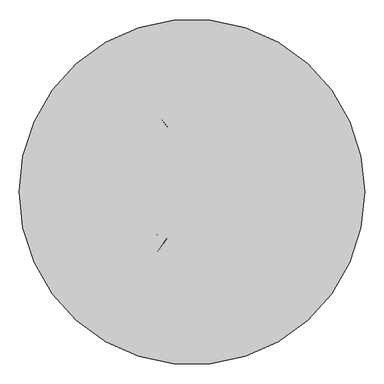
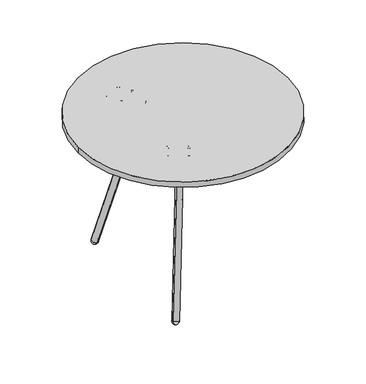
"""IFC4 building model written with IfcOpenShell, lengths in millimetres: furniture geometry."""

from ifc_helpers import new_model, si_unit, point, frame, frame_2d, origin, place, context, project, spatial, polyline, circle_curve, ellipse_curve, trimmed, segment, composite_curve, outline, extrude, source, transform, mapped, element, save
from ifc_brep_helpers import plane_surface, cylinder_surface, revolved_surface, advanced_brep


def furniture_e2190bd2(model_context):
    return source(origin(), model_context, "Body", "SolidModel", [
        extrude(outline(composite_curve([segment(trimmed(circle_curve(frame_2d((0.0, 35.3583703)), 450.0), [point((450.0, 35.3583703))], [point((-450.0, 35.3583703))], False, "CARTESIAN"), True, "CONTINUOUS"), segment(trimmed(circle_curve(frame_2d((0.0, 35.3583703)), 450.0), [point((-450.0, 35.3583703))], [point((450.0, 35.3583703))], False, "CARTESIAN"), True, "CONTINUOUS")], self_intersect=False)), frame((0.0, 0.0, 695.0), z_axis=(0.0, 0.0, 1.0), x_axis=(1.0, 0.0, 0.0)), (0.0, 0.0, 1.0), 25.0),
        advanced_brep(
        [(-180.8533333, -238.5576884, 24.6029051), (-201.3953905, -244.7128483, 29.4458823), (-191.1243619, -241.6352683, 27.0243937), (-195.5186557, -247.9106001, 0.4098754), (-206.357808, -248.5635136, 17.4350501), (-180.0803617, -240.689819, 11.2399027), (-203.4901135, -247.7042463, 16.758965), (-182.9480562, -241.5490863, 11.9159878)],
        [
            (0, 1, circle_curve(frame((-191.1243619, -241.6352683, 27.0243937), z_axis=(0.1586664581172281, 0.22658582010078232, 0.9609806559956292), x_axis=(-0.9343898390299785, -0.2799777471094271, 0.22029092092290298)), 10.9922306)),
            (1, 2),
            (2, 0),
            (1, 0, circle_curve(frame((-191.1243619, -241.6352683, 27.0243937), z_axis=(0.1586664581172281, 0.22658582010078232, 0.9609806559956292), x_axis=(-0.9343898390299785, -0.2799777471094271, 0.22029092092290298)), 10.9922306)),
            (3, 4, circle_curve(frame((-193.5011095, -244.8215763, 13.7883227), z_axis=(-0.31896799805946807, 0.9328833406448988, -0.1672964104849511), x_axis=(-0.9343898390299783, -0.2799777471094268, 0.2202909209229042)), 13.8778749)),
            (4, 5, circle_curve(frame((-193.2190848, -244.6266663, 14.3374764), z_axis=(-0.1586664581172281, -0.22658582010078232, -0.9609806559956292), x_axis=(-0.9343898390299785, -0.2799777471094271, 0.22029092092290298)), 14.0612864)),
            (5, 3, circle_curve(frame((-193.1327397, -244.7111991, 13.7014762), z_axis=(-0.31896799805947157, 0.9328833406448972, -0.16729641048495333), x_axis=(0.9343898390299777, 0.2799777471094304, -0.2202909209229023)), 13.8778749)),
            (5, 4, circle_curve(frame((-193.2190848, -244.6266663, 14.3374764), z_axis=(-0.1586664581172281, -0.22658582010078232, -0.9609806559956292), x_axis=(-0.9343898390299785, -0.2799777471094271, 0.22029092092290298)), 14.0612864)),
            (4, 6),
            (6, 7, circle_curve(frame((-193.2190848, -244.6266663, 14.3374764), z_axis=(-0.1586664581172281, -0.22658582010078232, -0.9609806559956292), x_axis=(-0.9343898390299785, -0.2799777471094271, 0.22029092092290298)), 10.9922306)),
            (7, 5),
            (7, 6, circle_curve(frame((-193.2190848, -244.6266663, 14.3374764), z_axis=(-0.1586664581172281, -0.22658582010078232, -0.9609806559956292), x_axis=(-0.9343898390299785, -0.2799777471094271, 0.22029092092290298)), 10.9922306)),
            (6, 1),
            (0, 7),
        ],
        [
            plane_surface(frame((-191.1243619, -241.6352683, 27.0243937), z_axis=(0.15866645811722793, 0.22658582010078304, 0.9609806559956293), x_axis=(-0.9343898390299785, -0.2799777471094271, 0.22029092092290298))),
            revolved_surface(trimmed(ellipse_curve(frame((-193.5011095, -244.8215763, 13.7883227), z_axis=(0.31896799805946807, -0.9328833406448988, 0.1672964104849511), x_axis=(-0.9343898390299783, -0.2799777471094268, 0.2202909209229042)), 13.8778749, 13.8778749), [point((-206.357808, -248.5635136, 17.4350501))], [point((-195.5186557, -247.9106001, 0.4098754))], True, "CARTESIAN"), (-191.1243619, -241.6352683, 27.0243937), (-0.1586664581172281, -0.22658582010078232, -0.9609806559956292)),
            revolved_surface(trimmed(ellipse_curve(frame((-193.5011095, -244.8215763, 13.7883227), z_axis=(0.31896799805946796, -0.932883340644899, 0.16729641048495042), x_axis=(-0.9343898390299783, -0.2799777471094268, 0.2202909209229042)), 13.8778749, 13.8778749), [point((-206.357808, -248.5635136, 17.4350501))], [point((-195.5186557, -247.9106001, 0.4098754))], True, "CARTESIAN"), (-191.1243619, -241.6352683, 27.0243937), (-0.1586664581172281, -0.22658582010078232, -0.9609806559956292)),
            plane_surface(frame((-193.2190848, -244.6266663, 14.3374764), z_axis=(0.15866645811722793, 0.22658582010078304, 0.9609806559956293), x_axis=(-0.9343898390299785, -0.2799777471094271, 0.22029092092290298))),
            cylinder_surface(frame((-191.1243619, -241.6352683, 27.0243937), z_axis=(-0.1586664581172281, -0.22658582010078232, -0.9609806559956292), x_axis=(-0.9343898390299785, -0.2799777471094271, 0.22029092092290298)), 10.9922306),
        ],
        [
            (0, [[1, 2, 3]]),
            (0, [[4, -3, -2]]),
            (1, [[5, 6, 7]]),
            (2, [[-7, 8, -5]]),
            (3, [[-6, 9, 10, 11]]),
            (3, [[-8, -11, 12, -9]]),
            (4, [[-10, 13, -1, 14]]),
            (4, [[-12, -14, -4, -13]]),
        ],
    ),
        extrude(outline(composite_curve([segment(trimmed(circle_curve(frame_2d((0.0, -13.9999999)), 14.0), [point((0.0, -28.0))], [point((0.0, 0.0))], False, "CARTESIAN"), True, "CONTINUOUS"), segment(trimmed(circle_curve(frame_2d((0.0, -13.9999999)), 14.0), [point((0.0, 0.0))], [point((0.0, -28.0))], False, "CARTESIAN"), True, "CONTINUOUS")], self_intersect=False), holes=[composite_curve([segment(trimmed(circle_curve(frame_2d((0.0, -13.9999999)), 11.0), [point((0.0, -24.9999999))], [point((0.0, -3.0))], True, "CARTESIAN"), True, "CONTINUOUS"), segment(trimmed(circle_curve(frame_2d((0.0, -13.9999999)), 11.0), [point((0.0, -3.0))], [point((0.0, -24.9999999))], True, "CARTESIAN"), True, "CONTINUOUS")], self_intersect=False)]), frame((-180.0364038, -240.8259189, 11.2465667), z_axis=(0.15887231788872458, 0.22664739087431662, 0.960932123939318), x_axis=(0.3180763214257349, -0.933150032964963, 0.16750662591599502)), (0.0, 0.0, 1.0), 727.2707958),
        advanced_brep(
        [(-191.2302651, 352.3487163, 27.1521718), (-201.6662561, 354.8841647, 29.4954019), (-180.794274, 349.813268, 24.8089417), (-180.0319926, 351.9891692, 11.4523823), (-206.7314795, 358.4758717, 17.4473127), (-195.7436045, 358.3983386, 0.5053328), (-182.945745, 352.6970722, 12.1066174), (-203.8177271, 357.7679688, 16.7930776)],
        [
            (0, 1),
            (1, 2, circle_curve(frame((-191.2302651, 352.3487163, 27.1521718), z_axis=(0.16296488449801105, -0.21843603976043427, 0.9621476721139682), x_axis=(-0.9493970231495797, 0.23065821572086076, 0.21317148016370688)), 10.9922306)),
            (2, 0),
            (2, 1, circle_curve(frame((-191.2302651, 352.3487163, 27.1521718), z_axis=(0.16296488449801105, -0.21843603976043427, 0.9621476721139682), x_axis=(-0.9493970231495797, 0.23065821572086076, 0.21317148016370688)), 10.9922306)),
            (3, 4, circle_curve(frame((-193.3817361, 355.2325205, 14.4498475), z_axis=(-0.16296488449801105, 0.21843603976043427, -0.9621476721139682), x_axis=(-0.9493970231495797, 0.23065821572086076, 0.21317148016370688)), 14.0612864)),
            (4, 5, circle_curve(frame((-193.6693694, 355.4126832, 13.8985708), z_axis=(-0.26849159922661747, -0.9481996013784478, -0.16979333641367114), x_axis=(-0.9493970231495795, 0.23065821572086037, 0.21317148016370815)), 13.8778749)),
            (5, 3, circle_curve(frame((-193.2950833, 355.3217495, 13.814531), z_axis=(-0.26849159922662125, -0.9481996013784462, -0.16979333641367422), x_axis=(0.9493970231495791, -0.23065821572086403, -0.2131714801637061)), 13.8778749)),
            (4, 3, circle_curve(frame((-193.3817361, 355.2325205, 14.4498475), z_axis=(-0.16296488449801105, 0.21843603976043427, -0.9621476721139682), x_axis=(-0.9493970231495797, 0.23065821572086076, 0.21317148016370688)), 14.0612864)),
            (6, 7, circle_curve(frame((-193.3817361, 355.2325205, 14.4498475), z_axis=(-0.16296488449801105, 0.21843603976043427, -0.9621476721139682), x_axis=(-0.9493970231495797, 0.23065821572086076, 0.21317148016370688)), 10.9922306)),
            (7, 4),
            (3, 6),
            (7, 6, circle_curve(frame((-193.3817361, 355.2325205, 14.4498475), z_axis=(-0.16296488449801105, 0.21843603976043427, -0.9621476721139682), x_axis=(-0.9493970231495797, 0.23065821572086076, 0.21317148016370688)), 10.9922306)),
            (1, 7),
            (6, 2),
        ],
        [
            plane_surface(frame((-191.2302651, 352.3487163, 27.1521718), z_axis=(0.16296488449801075, -0.21843603976043516, 0.962147672113968), x_axis=(-0.9493970231495795, 0.2306582157208607, 0.21317148016370682))),
            revolved_surface(trimmed(ellipse_curve(frame((-193.6693694, 355.4126832, 13.8985708), z_axis=(0.26849159922661747, 0.9481996013784478, 0.16979333641367114), x_axis=(-0.9493970231495795, 0.23065821572086037, 0.21317148016370815)), 13.8778749, 13.8778749), [point((-195.7436045, 358.3983386, 0.5053328))], [point((-206.7314795, 358.4758717, 17.4473127))], True, "CARTESIAN"), (-191.2302651, 352.3487163, 27.1521718), (0.16296488449801105, -0.21843603976043427, 0.9621476721139682)),
            revolved_surface(trimmed(ellipse_curve(frame((-193.6693694, 355.4126832, 13.8985708), z_axis=(0.2684915992266173, 0.948199601378448, 0.1697933364136702), x_axis=(-0.9493970231495795, 0.23065821572086034, 0.21317148016370813)), 13.8778749, 13.8778749), [point((-195.7436045, 358.3983386, 0.5053328))], [point((-206.7314795, 358.4758717, 17.4473127))], True, "CARTESIAN"), (-191.2302651, 352.3487163, 27.1521718), (0.16296488449801105, -0.21843603976043427, 0.9621476721139682)),
            plane_surface(frame((-193.3817361, 355.2325205, 14.4498475), z_axis=(0.16296488449801075, -0.21843603976043516, 0.962147672113968), x_axis=(-0.9493970231495795, 0.2306582157208607, 0.21317148016370682))),
            cylinder_surface(frame((-191.2302651, 352.3487163, 27.1521718), z_axis=(0.16296488449801105, -0.21843603976043427, 0.9621476721139682), x_axis=(-0.9493970231495797, 0.23065821572086076, 0.21317148016370688)), 10.9922306),
        ],
        [
            (0, [[1, 2, 3]]),
            (0, [[-3, 4, -1]]),
            (1, [[5, 6, 7]]),
            (2, [[8, -7, -6]]),
            (3, [[9, 10, -5, 11]]),
            (3, [[12, -11, -8, -10]]),
            (4, [[-2, 13, -9, 14]]),
            (4, [[-4, -14, -12, -13]]),
        ],
    ),
        extrude(outline(composite_curve([segment(trimmed(circle_curve(frame_2d((0.0, -14.0)), 14.0), [point((0.0, -28.0000001))], [point((0.0, 0.0))], False, "CARTESIAN"), True, "CONTINUOUS"), segment(trimmed(circle_curve(frame_2d((0.0, -14.0)), 14.0), [point((0.0, 0.0))], [point((0.0, -28.0000001))], False, "CARTESIAN"), True, "CONTINUOUS")], self_intersect=False), holes=[composite_curve([segment(trimmed(circle_curve(frame_2d((0.0, -14.0)), 11.0), [point((0.0, -25.0))], [point((0.0, -3.0))], True, "CARTESIAN"), True, "CONTINUOUS"), segment(trimmed(circle_curve(frame_2d((0.0, -14.0)), 11.0), [point((0.0, -3.0))], [point((0.0, -25.0))], True, "CARTESIAN"), True, "CONTINUOUS")], self_intersect=False)]), frame((-179.8928187, 352.2958733, 11.4952545), z_axis=(0.16317404468656588, -0.2184867448728597, 0.9621007085827806), x_axis=(-0.23262738843441091, -0.956195666125868, -0.17769171683647247)), (0.0, 0.0, 1.0), 718.6597541),
        advanced_brep(
        [(-112.5415012, -207.3364042, 708.5063289), (-112.5415012, -201.3501121, 708.5063289), (-112.5415012, -200.3491436, 707.5053604), (-112.5415012, -208.3373727, 707.5053604), (-112.5415012, -204.3432582, 708.5063289), (-112.5415012, -209.6774646, 699.5057716), (-112.5415012, -199.0090517, 699.5057716), (-112.5415012, -198.4348672, 698.9315871), (-112.5415012, -210.2516491, 698.9315871), (-112.5415012, -208.3373727, 700.7123957), (-112.5415012, -200.3491436, 700.7123957), (-112.5415012, -209.1745307, 698.0277774), (-112.5415012, -199.5119856, 698.0277774), (-112.5415012, -204.3432582, 697.8278374)],
        [
            (0, 1, circle_curve(frame((-112.5415012, -204.3432582, 708.5063289), z_axis=(0.0, 0.0, -1.0), x_axis=(0.0, 1.0, 0.0)), 2.9931461)),
            (1, 2),
            (2, 3, circle_curve(frame((-112.5415012, -204.3432582, 707.5053604), z_axis=(0.0, 0.0, 1.0), x_axis=(0.0, 1.0, 0.0)), 3.9941146)),
            (3, 0),
            (1, 0, circle_curve(frame((-112.5415012, -204.3432582, 708.5063289), z_axis=(0.0, 0.0, -1.0), x_axis=(0.0, 1.0, 0.0)), 2.9931461)),
            (3, 2, circle_curve(frame((-112.5415012, -204.3432582, 707.5053604), z_axis=(0.0, 0.0, 1.0), x_axis=(0.0, 1.0, 0.0)), 3.9941146)),
            (4, 1),
            (0, 4),
            (5, 6, circle_curve(frame((-112.5415012, -204.3432582, 699.5057716), z_axis=(0.0, 0.0, -1.0), x_axis=(0.0, 1.0, 0.0)), 5.3342064)),
            (6, 7),
            (7, 8, circle_curve(frame((-112.5415012, -204.3432582, 698.9315871), z_axis=(0.0, 0.0, 1.0), x_axis=(0.0, 1.0, 0.0)), 5.908391)),
            (8, 5),
            (6, 5, circle_curve(frame((-112.5415012, -204.3432582, 699.5057716), z_axis=(0.0, 0.0, -1.0), x_axis=(0.0, 1.0, 0.0)), 5.3342064)),
            (8, 7, circle_curve(frame((-112.5415012, -204.3432582, 698.9315871), z_axis=(0.0, 0.0, 1.0), x_axis=(0.0, 1.0, 0.0)), 5.908391)),
            (9, 10, circle_curve(frame((-112.5415012, -204.3432582, 700.7123957), z_axis=(0.0, 0.0, -1.0), x_axis=(0.0, 1.0, 0.0)), 3.9941146)),
            (10, 6),
            (5, 9),
            (10, 9, circle_curve(frame((-112.5415012, -204.3432582, 700.7123957), z_axis=(0.0, 0.0, -1.0), x_axis=(0.0, 1.0, 0.0)), 3.9941146)),
            (2, 10),
            (9, 3),
            (11, 12, circle_curve(frame((-112.5415012, -204.3432582, 698.0277774), z_axis=(0.0, 0.0, -1.0), x_axis=(0.0, 1.0, 0.0)), 4.8312726)),
            (12, 13, circle_curve(frame((-112.5415012, -202.6159182, 714.5595309), z_axis=(-1.0, 0.0, 0.0), x_axis=(0.0, 1.0, 0.0)), 16.8206204)),
            (13, 11, circle_curve(frame((-112.5415012, -206.0705982, 714.5595309), z_axis=(-1.0, 0.0, 0.0), x_axis=(0.0, -1.0, 0.0)), 16.8206204)),
            (12, 11, circle_curve(frame((-112.5415012, -204.3432582, 698.0277774), z_axis=(0.0, 0.0, -1.0), x_axis=(0.0, 1.0, 0.0)), 4.8312726)),
            (7, 12, circle_curve(frame((-112.5415012, -199.5595975, 699.1782538), z_axis=(-1.0, 0.0, 0.0), x_axis=(0.0, 1.0, 0.0)), 1.1514612)),
            (11, 8, circle_curve(frame((-112.5415012, -209.1269188, 699.1782538), z_axis=(-1.0, 0.0, 0.0), x_axis=(0.0, -1.0, 0.0)), 1.1514612)),
        ],
        [
            revolved_surface(polyline([(-112.5415012, -200.3491436, 707.5053604), (-112.5415012, -201.3501121, 708.5063289)]), (-112.5415012, -204.3432582, 708.228095), (0.0, 0.0, 1.0)),
            plane_surface(frame((-112.5415012, -204.3432582, 708.5063289), z_axis=(0.0, 0.0, 1.0), x_axis=(0.0, 1.0, 0.0))),
            revolved_surface(polyline([(-112.5415012, -198.4348672, 698.9315871), (-112.5415012, -199.0090517, 699.5057716)]), (-112.5415012, -204.3432582, 708.228095), (0.0, 0.0, 1.0)),
            revolved_surface(polyline([(-112.5415012, -199.0090517, 699.5057716), (-112.5415012, -200.3491436, 700.7123957)]), (-112.5415012, -204.3432582, 708.228095), (0.0, 0.0, 1.0)),
            cylinder_surface(frame((-112.5415012, -204.3432582, 708.228095), z_axis=(0.0, 0.0, 1.0), x_axis=(0.0, 1.0, 0.0)), 3.9941146),
            revolved_surface(trimmed(ellipse_curve(frame((-112.5415012, -202.6159182, 714.5595309), z_axis=(1.0, 0.0, 0.0), x_axis=(0.0, 1.0, 0.0)), 16.8206204, 16.8206204), [point((-112.5415012, -204.3432582, 697.8278374))], [point((-112.5415012, -199.5119856, 698.0277774))], True, "CARTESIAN"), (-112.5415012, -204.3432582, 708.228095), (0.0, 0.0, 1.0)),
            revolved_surface(trimmed(ellipse_curve(frame((-112.5415012, -199.5595975, 699.1782538), z_axis=(1.0, 0.0, 0.0), x_axis=(0.0, 1.0, 0.0)), 1.1514612, 1.1514612), [point((-112.5415012, -199.5119856, 698.0277774))], [point((-112.5415012, -198.4348672, 698.9315871))], True, "CARTESIAN"), (-112.5415012, -204.3432582, 708.228095), (0.0, 0.0, 1.0)),
        ],
        [
            (0, [[1, 2, 3, 4]]),
            (0, [[5, -4, 6, -2]]),
            (1, [[7, -1, 8]]),
            (1, [[-8, -5, -7]]),
            (2, [[9, 10, 11, 12]]),
            (2, [[13, -12, 14, -10]]),
            (3, [[15, 16, -9, 17]]),
            (3, [[18, -17, -13, -16]]),
            (4, [[-3, 19, -15, 20]]),
            (4, [[-6, -20, -18, -19]]),
            (5, [[21, 22, 23]]),
            (5, [[24, -23, -22]]),
            (6, [[-11, 25, -21, 26]]),
            (6, [[-14, -26, -24, -25]]),
        ],
    ),
        advanced_brep(
        [(-181.8063282, -167.3364042, 708.5063289), (-181.8063282, -161.3501121, 708.5063289), (-181.8063282, -160.3491436, 707.5053604), (-181.8063282, -168.3373727, 707.5053604), (-181.8063282, -164.3432582, 708.5063289), (-181.8063282, -169.6774646, 699.5057716), (-181.8063282, -159.0090517, 699.5057716), (-181.8063282, -158.4348672, 698.9315871), (-181.8063282, -170.2516491, 698.9315871), (-181.8063282, -168.3373727, 700.7123957), (-181.8063282, -160.3491436, 700.7123957), (-181.8063282, -169.1745307, 698.0277774), (-181.8063282, -159.5119856, 698.0277774), (-181.8063282, -164.3432582, 697.8278374)],
        [
            (0, 1, circle_curve(frame((-181.8063282, -164.3432582, 708.5063289), z_axis=(0.0, 0.0, -1.0), x_axis=(0.0, 1.0, 0.0)), 2.9931461)),
            (1, 2),
            (2, 3, circle_curve(frame((-181.8063282, -164.3432582, 707.5053604), z_axis=(0.0, 0.0, 1.0), x_axis=(0.0, 1.0, 0.0)), 3.9941146)),
            (3, 0),
            (1, 0, circle_curve(frame((-181.8063282, -164.3432582, 708.5063289), z_axis=(0.0, 0.0, -1.0), x_axis=(0.0, 1.0, 0.0)), 2.9931461)),
            (3, 2, circle_curve(frame((-181.8063282, -164.3432582, 707.5053604), z_axis=(0.0, 0.0, 1.0), x_axis=(0.0, 1.0, 0.0)), 3.9941146)),
            (4, 1),
            (0, 4),
            (5, 6, circle_curve(frame((-181.8063282, -164.3432582, 699.5057716), z_axis=(0.0, 0.0, -1.0), x_axis=(0.0, 1.0, 0.0)), 5.3342064)),
            (6, 7),
            (7, 8, circle_curve(frame((-181.8063282, -164.3432582, 698.9315871), z_axis=(0.0, 0.0, 1.0), x_axis=(0.0, 1.0, 0.0)), 5.908391)),
            (8, 5),
            (6, 5, circle_curve(frame((-181.8063282, -164.3432582, 699.5057716), z_axis=(0.0, 0.0, -1.0), x_axis=(0.0, 1.0, 0.0)), 5.3342064)),
            (8, 7, circle_curve(frame((-181.8063282, -164.3432582, 698.9315871), z_axis=(0.0, 0.0, 1.0), x_axis=(0.0, 1.0, 0.0)), 5.908391)),
            (9, 10, circle_curve(frame((-181.8063282, -164.3432582, 700.7123957), z_axis=(0.0, 0.0, -1.0), x_axis=(0.0, 1.0, 0.0)), 3.9941146)),
            (10, 6),
            (5, 9),
            (10, 9, circle_curve(frame((-181.8063282, -164.3432582, 700.7123957), z_axis=(0.0, 0.0, -1.0), x_axis=(0.0, 1.0, 0.0)), 3.9941146)),
            (2, 10),
            (9, 3),
            (11, 12, circle_curve(frame((-181.8063282, -164.3432582, 698.0277774), z_axis=(0.0, 0.0, -1.0), x_axis=(0.0, 1.0, 0.0)), 4.8312726)),
            (12, 13, circle_curve(frame((-181.8063282, -162.6159182, 714.5595309), z_axis=(-1.0, 0.0, 0.0), x_axis=(0.0, 1.0, 0.0)), 16.8206204)),
            (13, 11, circle_curve(frame((-181.8063282, -166.0705982, 714.5595309), z_axis=(-1.0, 0.0, 0.0), x_axis=(0.0, -1.0, 0.0)), 16.8206204)),
            (12, 11, circle_curve(frame((-181.8063282, -164.3432582, 698.0277774), z_axis=(0.0, 0.0, -1.0), x_axis=(0.0, 1.0, 0.0)), 4.8312726)),
            (7, 12, circle_curve(frame((-181.8063282, -159.5595975, 699.1782538), z_axis=(-1.0, 0.0, 0.0), x_axis=(0.0, 1.0, 0.0)), 1.1514612)),
            (11, 8, circle_curve(frame((-181.8063282, -169.1269188, 699.1782538), z_axis=(-1.0, 0.0, 0.0), x_axis=(0.0, -1.0, 0.0)), 1.1514612)),
        ],
        [
            revolved_surface(polyline([(-181.8063282, -160.3491436, 707.5053604), (-181.8063282, -161.3501121, 708.5063289)]), (-181.8063282, -164.3432582, 708.228095), (0.0, 0.0, 1.0)),
            plane_surface(frame((-181.8063282, -164.3432582, 708.5063289), z_axis=(0.0, 0.0, 1.0), x_axis=(0.0, 1.0, 0.0))),
            revolved_surface(polyline([(-181.8063282, -158.4348672, 698.9315871), (-181.8063282, -159.0090517, 699.5057716)]), (-181.8063282, -164.3432582, 708.228095), (0.0, 0.0, 1.0)),
            revolved_surface(polyline([(-181.8063282, -159.0090517, 699.5057716), (-181.8063282, -160.3491436, 700.7123957)]), (-181.8063282, -164.3432582, 708.228095), (0.0, 0.0, 1.0)),
            cylinder_surface(frame((-181.8063282, -164.3432582, 708.228095), z_axis=(0.0, 0.0, 1.0), x_axis=(0.0, 1.0, 0.0)), 3.9941146),
            revolved_surface(trimmed(ellipse_curve(frame((-181.8063282, -162.6159182, 714.5595309), z_axis=(1.0, 0.0, 0.0), x_axis=(0.0, 1.0, 0.0)), 16.8206204, 16.8206204), [point((-181.8063282, -164.3432582, 697.8278374))], [point((-181.8063282, -159.5119856, 698.0277774))], True, "CARTESIAN"), (-181.8063282, -164.3432582, 708.228095), (0.0, 0.0, 1.0)),
            revolved_surface(trimmed(ellipse_curve(frame((-181.8063282, -159.5595975, 699.1782538), z_axis=(1.0, 0.0, 0.0), x_axis=(0.0, 1.0, 0.0)), 1.1514612, 1.1514612), [point((-181.8063282, -159.5119856, 698.0277774))], [point((-181.8063282, -158.4348672, 698.9315871))], True, "CARTESIAN"), (-181.8063282, -164.3432582, 708.228095), (0.0, 0.0, 1.0)),
        ],
        [
            (0, [[1, 2, 3, 4]]),
            (0, [[5, -4, 6, -2]]),
            (1, [[7, -1, 8]]),
            (1, [[-8, -5, -7]]),
            (2, [[9, 10, 11, 12]]),
            (2, [[13, -12, 14, -10]]),
            (3, [[15, 16, -9, 17]]),
            (3, [[18, -17, -13, -16]]),
            (4, [[-3, 19, -15, 20]]),
            (4, [[-6, -20, -18, -19]]),
            (5, [[21, 22, 23]]),
            (5, [[24, -23, -22]]),
            (6, [[-11, 25, -21, 26]]),
            (6, [[-14, -26, -24, -25]]),
        ],
    ),
        advanced_brep(
        [(-151.8164245, -115.37488, 708.5063289), (-151.8164245, -109.3885879, 708.5063289), (-151.8164245, -108.3876193, 707.5053604), (-151.8164245, -116.3758485, 707.5053604), (-151.8164245, -112.3817339, 708.5063289), (-151.8164245, -117.7159403, 699.5057716), (-151.8164245, -107.0475275, 699.5057716), (-151.8164245, -106.473343, 698.9315871), (-151.8164245, -118.2901249, 698.9315871), (-151.8164245, -116.3758485, 700.7123957), (-151.8164245, -108.3876193, 700.7123957), (-151.8164245, -117.2130065, 698.0277774), (-151.8164245, -107.5504614, 698.0277774), (-151.8164245, -112.3817339, 697.8278374)],
        [
            (0, 1, circle_curve(frame((-151.8164245, -112.3817339, 708.5063289), z_axis=(0.0, 0.0, -1.0), x_axis=(0.0, 1.0, 0.0)), 2.9931461)),
            (1, 2),
            (2, 3, circle_curve(frame((-151.8164245, -112.3817339, 707.5053604), z_axis=(0.0, 0.0, 1.0), x_axis=(0.0, 1.0, 0.0)), 3.9941146)),
            (3, 0),
            (1, 0, circle_curve(frame((-151.8164245, -112.3817339, 708.5063289), z_axis=(0.0, 0.0, -1.0), x_axis=(0.0, 1.0, 0.0)), 2.9931461)),
            (3, 2, circle_curve(frame((-151.8164245, -112.3817339, 707.5053604), z_axis=(0.0, 0.0, 1.0), x_axis=(0.0, 1.0, 0.0)), 3.9941146)),
            (4, 1),
            (0, 4),
            (5, 6, circle_curve(frame((-151.8164245, -112.3817339, 699.5057716), z_axis=(0.0, 0.0, -1.0), x_axis=(0.0, 1.0, 0.0)), 5.3342064)),
            (6, 7),
            (7, 8, circle_curve(frame((-151.8164245, -112.3817339, 698.9315871), z_axis=(0.0, 0.0, 1.0), x_axis=(0.0, 1.0, 0.0)), 5.908391)),
            (8, 5),
            (6, 5, circle_curve(frame((-151.8164245, -112.3817339, 699.5057716), z_axis=(0.0, 0.0, -1.0), x_axis=(0.0, 1.0, 0.0)), 5.3342064)),
            (8, 7, circle_curve(frame((-151.8164245, -112.3817339, 698.9315871), z_axis=(0.0, 0.0, 1.0), x_axis=(0.0, 1.0, 0.0)), 5.908391)),
            (9, 10, circle_curve(frame((-151.8164245, -112.3817339, 700.7123957), z_axis=(0.0, 0.0, -1.0), x_axis=(0.0, 1.0, 0.0)), 3.9941146)),
            (10, 6),
            (5, 9),
            (10, 9, circle_curve(frame((-151.8164245, -112.3817339, 700.7123957), z_axis=(0.0, 0.0, -1.0), x_axis=(0.0, 1.0, 0.0)), 3.9941146)),
            (2, 10),
            (9, 3),
            (11, 12, circle_curve(frame((-151.8164245, -112.3817339, 698.0277774), z_axis=(0.0, 0.0, -1.0), x_axis=(0.0, 1.0, 0.0)), 4.8312726)),
            (12, 13, circle_curve(frame((-151.8164245, -110.6543939, 714.5595309), z_axis=(-1.0, 0.0, 0.0), x_axis=(0.0, 1.0, 0.0)), 16.8206204)),
            (13, 11, circle_curve(frame((-151.8164245, -114.1090739, 714.5595309), z_axis=(-1.0, 0.0, 0.0), x_axis=(0.0, -1.0, 0.0)), 16.8206204)),
            (12, 11, circle_curve(frame((-151.8164245, -112.3817339, 698.0277774), z_axis=(0.0, 0.0, -1.0), x_axis=(0.0, 1.0, 0.0)), 4.8312726)),
            (7, 12, circle_curve(frame((-151.8164245, -107.5980733, 699.1782538), z_axis=(-1.0, 0.0, 0.0), x_axis=(0.0, 1.0, 0.0)), 1.1514612)),
            (11, 8, circle_curve(frame((-151.8164245, -117.1653945, 699.1782538), z_axis=(-1.0, 0.0, 0.0), x_axis=(0.0, -1.0, 0.0)), 1.1514612)),
        ],
        [
            revolved_surface(polyline([(-151.8164245, -108.3876193, 707.5053604), (-151.8164245, -109.3885879, 708.5063289)]), (-151.8164245, -112.3817339, 708.228095), (0.0, 0.0, 1.0)),
            plane_surface(frame((-151.8164245, -112.3817339, 708.5063289), z_axis=(0.0, 0.0, 1.0), x_axis=(0.0, 1.0, 0.0))),
            revolved_surface(polyline([(-151.8164245, -106.473343, 698.9315871), (-151.8164245, -107.0475275, 699.5057716)]), (-151.8164245, -112.3817339, 708.228095), (0.0, 0.0, 1.0)),
            revolved_surface(polyline([(-151.8164245, -107.0475275, 699.5057716), (-151.8164245, -108.3876193, 700.7123957)]), (-151.8164245, -112.3817339, 708.228095), (0.0, 0.0, 1.0)),
            cylinder_surface(frame((-151.8164245, -112.3817339, 708.228095), z_axis=(0.0, 0.0, 1.0), x_axis=(0.0, 1.0, 0.0)), 3.9941146),
            revolved_surface(trimmed(ellipse_curve(frame((-151.8164245, -110.6543939, 714.5595309), z_axis=(1.0, 0.0, 0.0), x_axis=(0.0, 1.0, 0.0)), 16.8206204, 16.8206204), [point((-151.8164245, -112.3817339, 697.8278374))], [point((-151.8164245, -107.5504614, 698.0277774))], True, "CARTESIAN"), (-151.8164245, -112.3817339, 708.228095), (0.0, 0.0, 1.0)),
            revolved_surface(trimmed(ellipse_curve(frame((-151.8164245, -107.5980733, 699.1782538), z_axis=(1.0, 0.0, 0.0), x_axis=(0.0, 1.0, 0.0)), 1.1514612, 1.1514612), [point((-151.8164245, -107.5504614, 698.0277774))], [point((-151.8164245, -106.473343, 698.9315871))], True, "CARTESIAN"), (-151.8164245, -112.3817339, 708.228095), (0.0, 0.0, 1.0)),
        ],
        [
            (0, [[1, 2, 3, 4]]),
            (0, [[5, -4, 6, -2]]),
            (1, [[7, -1, 8]]),
            (1, [[-8, -5, -7]]),
            (2, [[9, 10, 11, 12]]),
            (2, [[13, -12, 14, -10]]),
            (3, [[15, 16, -9, 17]]),
            (3, [[18, -17, -13, -16]]),
            (4, [[-3, 19, -15, 20]]),
            (4, [[-6, -20, -18, -19]]),
            (5, [[21, 22, 23]]),
            (5, [[24, -23, -22]]),
            (6, [[-11, 25, -21, 26]]),
            (6, [[-14, -26, -24, -25]]),
        ],
    ),
        advanced_brep(
        [(-82.5675891, -155.37488, 708.5063289), (-82.5675891, -149.3885879, 708.5063289), (-82.5675891, -148.3876193, 707.5053604), (-82.5675891, -156.3758485, 707.5053604), (-82.5675891, -152.3817339, 708.5063289), (-82.5675891, -157.7159403, 699.5057716), (-82.5675891, -147.0475275, 699.5057716), (-82.5675891, -146.473343, 698.9315871), (-82.5675891, -158.2901249, 698.9315871), (-82.5675891, -156.3758485, 700.7123957), (-82.5675891, -148.3876193, 700.7123957), (-82.5675891, -157.2130065, 698.0277774), (-82.5675891, -147.5504614, 698.0277774), (-82.5675891, -152.3817339, 697.8278374)],
        [
            (0, 1, circle_curve(frame((-82.5675891, -152.3817339, 708.5063289), z_axis=(0.0, 0.0, -1.0), x_axis=(0.0, 1.0, 0.0)), 2.9931461)),
            (1, 2),
            (2, 3, circle_curve(frame((-82.5675891, -152.3817339, 707.5053604), z_axis=(0.0, 0.0, 1.0), x_axis=(0.0, 1.0, 0.0)), 3.9941146)),
            (3, 0),
            (1, 0, circle_curve(frame((-82.5675891, -152.3817339, 708.5063289), z_axis=(0.0, 0.0, -1.0), x_axis=(0.0, 1.0, 0.0)), 2.9931461)),
            (3, 2, circle_curve(frame((-82.5675891, -152.3817339, 707.5053604), z_axis=(0.0, 0.0, 1.0), x_axis=(0.0, 1.0, 0.0)), 3.9941146)),
            (4, 1),
            (0, 4),
            (5, 6, circle_curve(frame((-82.5675891, -152.3817339, 699.5057716), z_axis=(0.0, 0.0, -1.0), x_axis=(0.0, 1.0, 0.0)), 5.3342064)),
            (6, 7),
            (7, 8, circle_curve(frame((-82.5675891, -152.3817339, 698.9315871), z_axis=(0.0, 0.0, 1.0), x_axis=(0.0, 1.0, 0.0)), 5.908391)),
            (8, 5),
            (6, 5, circle_curve(frame((-82.5675891, -152.3817339, 699.5057716), z_axis=(0.0, 0.0, -1.0), x_axis=(0.0, 1.0, 0.0)), 5.3342064)),
            (8, 7, circle_curve(frame((-82.5675891, -152.3817339, 698.9315871), z_axis=(0.0, 0.0, 1.0), x_axis=(0.0, 1.0, 0.0)), 5.908391)),
            (9, 10, circle_curve(frame((-82.5675891, -152.3817339, 700.7123957), z_axis=(0.0, 0.0, -1.0), x_axis=(0.0, 1.0, 0.0)), 3.9941146)),
            (10, 6),
            (5, 9),
            (10, 9, circle_curve(frame((-82.5675891, -152.3817339, 700.7123957), z_axis=(0.0, 0.0, -1.0), x_axis=(0.0, 1.0, 0.0)), 3.9941146)),
            (2, 10),
            (9, 3),
            (11, 12, circle_curve(frame((-82.5675891, -152.3817339, 698.0277774), z_axis=(0.0, 0.0, -1.0), x_axis=(0.0, 1.0, 0.0)), 4.8312726)),
            (12, 13, circle_curve(frame((-82.5675891, -150.6543939, 714.5595309), z_axis=(-1.0, 0.0, 0.0), x_axis=(0.0, 1.0, 0.0)), 16.8206204)),
            (13, 11, circle_curve(frame((-82.5675891, -154.1090739, 714.5595309), z_axis=(-1.0, 0.0, 0.0), x_axis=(0.0, -1.0, 0.0)), 16.8206204)),
            (12, 11, circle_curve(frame((-82.5675891, -152.3817339, 698.0277774), z_axis=(0.0, 0.0, -1.0), x_axis=(0.0, 1.0, 0.0)), 4.8312726)),
            (7, 12, circle_curve(frame((-82.5675891, -147.5980733, 699.1782538), z_axis=(-1.0, 0.0, 0.0), x_axis=(0.0, 1.0, 0.0)), 1.1514612)),
            (11, 8, circle_curve(frame((-82.5675891, -157.1653945, 699.1782538), z_axis=(-1.0, 0.0, 0.0), x_axis=(0.0, -1.0, 0.0)), 1.1514612)),
        ],
        [
            revolved_surface(polyline([(-82.5675891, -148.3876193, 707.5053604), (-82.5675891, -149.3885879, 708.5063289)]), (-82.5675891, -152.3817339, 708.228095), (0.0, 0.0, 1.0)),
            plane_surface(frame((-82.5675891, -152.3817339, 708.5063289), z_axis=(0.0, 0.0, 1.0), x_axis=(0.0, 1.0, 0.0))),
            revolved_surface(polyline([(-82.5675891, -146.473343, 698.9315871), (-82.5675891, -147.0475275, 699.5057716)]), (-82.5675891, -152.3817339, 708.228095), (0.0, 0.0, 1.0)),
            revolved_surface(polyline([(-82.5675891, -147.0475275, 699.5057716), (-82.5675891, -148.3876193, 700.7123957)]), (-82.5675891, -152.3817339, 708.228095), (0.0, 0.0, 1.0)),
            cylinder_surface(frame((-82.5675891, -152.3817339, 708.228095), z_axis=(0.0, 0.0, 1.0), x_axis=(0.0, 1.0, 0.0)), 3.9941146),
            revolved_surface(trimmed(ellipse_curve(frame((-82.5675891, -150.6543939, 714.5595309), z_axis=(1.0, 0.0, 0.0), x_axis=(0.0, 1.0, 0.0)), 16.8206204, 16.8206204), [point((-82.5675891, -152.3817339, 697.8278374))], [point((-82.5675891, -147.5504614, 698.0277774))], True, "CARTESIAN"), (-82.5675891, -152.3817339, 708.228095), (0.0, 0.0, 1.0)),
            revolved_surface(trimmed(ellipse_curve(frame((-82.5675891, -147.5980733, 699.1782538), z_axis=(1.0, 0.0, 0.0), x_axis=(0.0, 1.0, 0.0)), 1.1514612, 1.1514612), [point((-82.5675891, -147.5504614, 698.0277774))], [point((-82.5675891, -146.473343, 698.9315871))], True, "CARTESIAN"), (-82.5675891, -152.3817339, 708.228095), (0.0, 0.0, 1.0)),
        ],
        [
            (0, [[1, 2, 3, 4]]),
            (0, [[5, -4, 6, -2]]),
            (1, [[7, -1, 8]]),
            (1, [[-8, -5, -7]]),
            (2, [[9, 10, 11, 12]]),
            (2, [[13, -12, 14, -10]]),
            (3, [[15, 16, -9, 17]]),
            (3, [[18, -17, -13, -16]]),
            (4, [[-3, 19, -15, 20]]),
            (4, [[-6, -20, -18, -19]]),
            (5, [[21, 22, 23]]),
            (5, [[24, -23, -22]]),
            (6, [[-11, 25, -21, 26]]),
            (6, [[-14, -26, -24, -25]]),
        ],
    ),
        advanced_brep(
        [(-112.1222387, 317.7491246, 708.5063289), (-112.1222387, 323.7354167, 708.5063289), (-112.1222387, 324.7363853, 707.5053604), (-112.1222387, 316.7481561, 707.5053604), (-112.1222387, 320.7422707, 708.5063289), (-112.1222387, 315.4080643, 699.5057716), (-112.1222387, 326.0764771, 699.5057716), (-112.1222387, 326.6506617, 698.9315871), (-112.1222387, 314.8338797, 698.9315871), (-112.1222387, 316.7481561, 700.7123957), (-112.1222387, 324.7363853, 700.7123957), (-112.1222387, 315.9109981, 698.0277774), (-112.1222387, 325.5735432, 698.0277774), (-112.1222387, 320.7422707, 697.8278374)],
        [
            (0, 1, circle_curve(frame((-112.1222387, 320.7422707, 708.5063289), z_axis=(0.0, 0.0, -1.0), x_axis=(0.0, 1.0, 0.0)), 2.9931461)),
            (1, 2),
            (2, 3, circle_curve(frame((-112.1222387, 320.7422707, 707.5053604), z_axis=(0.0, 0.0, 1.0), x_axis=(0.0, 1.0, 0.0)), 3.9941146)),
            (3, 0),
            (1, 0, circle_curve(frame((-112.1222387, 320.7422707, 708.5063289), z_axis=(0.0, 0.0, -1.0), x_axis=(0.0, 1.0, 0.0)), 2.9931461)),
            (3, 2, circle_curve(frame((-112.1222387, 320.7422707, 707.5053604), z_axis=(0.0, 0.0, 1.0), x_axis=(0.0, 1.0, 0.0)), 3.9941146)),
            (4, 1),
            (0, 4),
            (5, 6, circle_curve(frame((-112.1222387, 320.7422707, 699.5057716), z_axis=(0.0, 0.0, -1.0), x_axis=(0.0, 1.0, 0.0)), 5.3342064)),
            (6, 7),
            (7, 8, circle_curve(frame((-112.1222387, 320.7422707, 698.9315871), z_axis=(0.0, 0.0, 1.0), x_axis=(0.0, 1.0, 0.0)), 5.908391)),
            (8, 5),
            (6, 5, circle_curve(frame((-112.1222387, 320.7422707, 699.5057716), z_axis=(0.0, 0.0, -1.0), x_axis=(0.0, 1.0, 0.0)), 5.3342064)),
            (8, 7, circle_curve(frame((-112.1222387, 320.7422707, 698.9315871), z_axis=(0.0, 0.0, 1.0), x_axis=(0.0, 1.0, 0.0)), 5.908391)),
            (9, 10, circle_curve(frame((-112.1222387, 320.7422707, 700.7123957), z_axis=(0.0, 0.0, -1.0), x_axis=(0.0, 1.0, 0.0)), 3.9941146)),
            (10, 6),
            (5, 9),
            (10, 9, circle_curve(frame((-112.1222387, 320.7422707, 700.7123957), z_axis=(0.0, 0.0, -1.0), x_axis=(0.0, 1.0, 0.0)), 3.9941146)),
            (2, 10),
            (9, 3),
            (11, 12, circle_curve(frame((-112.1222387, 320.7422707, 698.0277774), z_axis=(0.0, 0.0, -1.0), x_axis=(0.0, 1.0, 0.0)), 4.8312726)),
            (12, 13, circle_curve(frame((-112.1222387, 322.4696107, 714.5595309), z_axis=(-1.0, 0.0, 0.0), x_axis=(0.0, 1.0, 0.0)), 16.8206204)),
            (13, 11, circle_curve(frame((-112.1222387, 319.0149307, 714.5595309), z_axis=(-1.0, 0.0, 0.0), x_axis=(0.0, -1.0, 0.0)), 16.8206204)),
            (12, 11, circle_curve(frame((-112.1222387, 320.7422707, 698.0277774), z_axis=(0.0, 0.0, -1.0), x_axis=(0.0, 1.0, 0.0)), 4.8312726)),
            (7, 12, circle_curve(frame((-112.1222387, 325.5259313, 699.1782538), z_axis=(-1.0, 0.0, 0.0), x_axis=(0.0, 1.0, 0.0)), 1.1514612)),
            (11, 8, circle_curve(frame((-112.1222387, 315.9586101, 699.1782538), z_axis=(-1.0, 0.0, 0.0), x_axis=(0.0, -1.0, 0.0)), 1.1514612)),
        ],
        [
            revolved_surface(polyline([(-112.1222387, 324.7363853, 707.5053604), (-112.1222387, 323.7354167, 708.5063289)]), (-112.1222387, 320.7422707, 708.228095), (0.0, 0.0, 1.0)),
            plane_surface(frame((-112.1222387, 320.7422707, 708.5063289), z_axis=(0.0, 0.0, 1.0), x_axis=(0.0, 1.0, 0.0))),
            revolved_surface(polyline([(-112.1222387, 326.6506617, 698.9315871), (-112.1222387, 326.0764771, 699.5057716)]), (-112.1222387, 320.7422707, 708.228095), (0.0, 0.0, 1.0)),
            revolved_surface(polyline([(-112.1222387, 326.0764771, 699.5057716), (-112.1222387, 324.7363853, 700.7123957)]), (-112.1222387, 320.7422707, 708.228095), (0.0, 0.0, 1.0)),
            cylinder_surface(frame((-112.1222387, 320.7422707, 708.228095), z_axis=(0.0, 0.0, 1.0), x_axis=(0.0, 1.0, 0.0)), 3.9941146),
            revolved_surface(trimmed(ellipse_curve(frame((-112.1222387, 322.4696107, 714.5595309), z_axis=(1.0, 0.0, 0.0), x_axis=(0.0, 1.0, 0.0)), 16.8206204, 16.8206204), [point((-112.1222387, 320.7422707, 697.8278374))], [point((-112.1222387, 325.5735432, 698.0277774))], True, "CARTESIAN"), (-112.1222387, 320.7422707, 708.228095), (0.0, 0.0, 1.0)),
            revolved_surface(trimmed(ellipse_curve(frame((-112.1222387, 325.5259313, 699.1782538), z_axis=(1.0, 0.0, 0.0), x_axis=(0.0, 1.0, 0.0)), 1.1514612, 1.1514612), [point((-112.1222387, 325.5735432, 698.0277774))], [point((-112.1222387, 326.6506617, 698.9315871))], True, "CARTESIAN"), (-112.1222387, 320.7422707, 708.228095), (0.0, 0.0, 1.0)),
        ],
        [
            (0, [[1, 2, 3, 4]]),
            (0, [[5, -4, 6, -2]]),
            (1, [[7, -1, 8]]),
            (1, [[-8, -5, -7]]),
            (2, [[9, 10, 11, 12]]),
            (2, [[13, -12, 14, -10]]),
            (3, [[15, 16, -9, 17]]),
            (3, [[18, -17, -13, -16]]),
            (4, [[-3, 19, -15, 20]]),
            (4, [[-6, -20, -18, -19]]),
            (5, [[21, 22, 23]]),
            (5, [[24, -23, -22]]),
            (6, [[-11, 25, -21, 26]]),
            (6, [[-14, -26, -24, -25]]),
        ],
    ),
        advanced_brep(
        [(-151.1378189, 225.7195971, 708.5063289), (-151.1378189, 231.7058893, 708.5063289), (-151.1378189, 232.7068578, 707.5053604), (-151.1378189, 224.7186286, 707.5053604), (-151.1378189, 228.7127432, 708.5063289), (-151.1378189, 223.3785368, 699.5057716), (-151.1378189, 234.0469496, 699.5057716), (-151.1378189, 234.6211342, 698.9315871), (-151.1378189, 222.8043522, 698.9315871), (-151.1378189, 224.7186286, 700.7123957), (-151.1378189, 232.7068578, 700.7123957), (-151.1378189, 223.8814707, 698.0277774), (-151.1378189, 233.5440158, 698.0277774), (-151.1378189, 228.7127432, 697.8278374)],
        [
            (0, 1, circle_curve(frame((-151.1378189, 228.7127432, 708.5063289), z_axis=(0.0, 0.0, -1.0), x_axis=(0.0, 1.0, 0.0)), 2.9931461)),
            (1, 2),
            (2, 3, circle_curve(frame((-151.1378189, 228.7127432, 707.5053604), z_axis=(0.0, 0.0, 1.0), x_axis=(0.0, 1.0, 0.0)), 3.9941146)),
            (3, 0),
            (1, 0, circle_curve(frame((-151.1378189, 228.7127432, 708.5063289), z_axis=(0.0, 0.0, -1.0), x_axis=(0.0, 1.0, 0.0)), 2.9931461)),
            (3, 2, circle_curve(frame((-151.1378189, 228.7127432, 707.5053604), z_axis=(0.0, 0.0, 1.0), x_axis=(0.0, 1.0, 0.0)), 3.9941146)),
            (4, 1),
            (0, 4),
            (5, 6, circle_curve(frame((-151.1378189, 228.7127432, 699.5057716), z_axis=(0.0, 0.0, -1.0), x_axis=(0.0, 1.0, 0.0)), 5.3342064)),
            (6, 7),
            (7, 8, circle_curve(frame((-151.1378189, 228.7127432, 698.9315871), z_axis=(0.0, 0.0, 1.0), x_axis=(0.0, 1.0, 0.0)), 5.908391)),
            (8, 5),
            (6, 5, circle_curve(frame((-151.1378189, 228.7127432, 699.5057716), z_axis=(0.0, 0.0, -1.0), x_axis=(0.0, 1.0, 0.0)), 5.3342064)),
            (8, 7, circle_curve(frame((-151.1378189, 228.7127432, 698.9315871), z_axis=(0.0, 0.0, 1.0), x_axis=(0.0, 1.0, 0.0)), 5.908391)),
            (9, 10, circle_curve(frame((-151.1378189, 228.7127432, 700.7123957), z_axis=(0.0, 0.0, -1.0), x_axis=(0.0, 1.0, 0.0)), 3.9941146)),
            (10, 6),
            (5, 9),
            (10, 9, circle_curve(frame((-151.1378189, 228.7127432, 700.7123957), z_axis=(0.0, 0.0, -1.0), x_axis=(0.0, 1.0, 0.0)), 3.9941146)),
            (2, 10),
            (9, 3),
            (11, 12, circle_curve(frame((-151.1378189, 228.7127432, 698.0277774), z_axis=(0.0, 0.0, -1.0), x_axis=(0.0, 1.0, 0.0)), 4.8312726)),
            (12, 13, circle_curve(frame((-151.1378189, 230.4400832, 714.5595309), z_axis=(-1.0, 0.0, 0.0), x_axis=(0.0, 1.0, 0.0)), 16.8206204)),
            (13, 11, circle_curve(frame((-151.1378189, 226.9854032, 714.5595309), z_axis=(-1.0, 0.0, 0.0), x_axis=(0.0, -1.0, 0.0)), 16.8206204)),
            (12, 11, circle_curve(frame((-151.1378189, 228.7127432, 698.0277774), z_axis=(0.0, 0.0, -1.0), x_axis=(0.0, 1.0, 0.0)), 4.8312726)),
            (7, 12, circle_curve(frame((-151.1378189, 233.4964038, 699.1782538), z_axis=(-1.0, 0.0, 0.0), x_axis=(0.0, 1.0, 0.0)), 1.1514612)),
            (11, 8, circle_curve(frame((-151.1378189, 223.9290826, 699.1782538), z_axis=(-1.0, 0.0, 0.0), x_axis=(0.0, -1.0, 0.0)), 1.1514612)),
        ],
        [
            revolved_surface(polyline([(-151.1378189, 232.7068578, 707.5053604), (-151.1378189, 231.7058893, 708.5063289)]), (-151.1378189, 228.7127432, 708.228095), (0.0, 0.0, 1.0)),
            plane_surface(frame((-151.1378189, 228.7127432, 708.5063289), z_axis=(0.0, 0.0, 1.0), x_axis=(0.0, 1.0, 0.0))),
            revolved_surface(polyline([(-151.1378189, 234.6211342, 698.9315871), (-151.1378189, 234.0469496, 699.5057716)]), (-151.1378189, 228.7127432, 708.228095), (0.0, 0.0, 1.0)),
            revolved_surface(polyline([(-151.1378189, 234.0469496, 699.5057716), (-151.1378189, 232.7068578, 700.7123957)]), (-151.1378189, 228.7127432, 708.228095), (0.0, 0.0, 1.0)),
            cylinder_surface(frame((-151.1378189, 228.7127432, 708.228095), z_axis=(0.0, 0.0, 1.0), x_axis=(0.0, 1.0, 0.0)), 3.9941146),
            revolved_surface(trimmed(ellipse_curve(frame((-151.1378189, 230.4400832, 714.5595309), z_axis=(1.0, 0.0, 0.0), x_axis=(0.0, 1.0, 0.0)), 16.8206204, 16.8206204), [point((-151.1378189, 228.7127432, 697.8278374))], [point((-151.1378189, 233.5440158, 698.0277774))], True, "CARTESIAN"), (-151.1378189, 228.7127432, 708.228095), (0.0, 0.0, 1.0)),
            revolved_surface(trimmed(ellipse_curve(frame((-151.1378189, 233.4964038, 699.1782538), z_axis=(1.0, 0.0, 0.0), x_axis=(0.0, 1.0, 0.0)), 1.1514612, 1.1514612), [point((-151.1378189, 233.5440158, 698.0277774))], [point((-151.1378189, 234.6211342, 698.9315871))], True, "CARTESIAN"), (-151.1378189, 228.7127432, 708.228095), (0.0, 0.0, 1.0)),
        ],
        [
            (0, [[1, 2, 3, 4]]),
            (0, [[5, -4, 6, -2]]),
            (1, [[7, -1, 8]]),
            (1, [[-8, -5, -7]]),
            (2, [[9, 10, 11, 12]]),
            (2, [[13, -12, 14, -10]]),
            (3, [[15, 16, -9, 17]]),
            (3, [[18, -17, -13, -16]]),
            (4, [[-3, 19, -15, 20]]),
            (4, [[-6, -20, -18, -19]]),
            (5, [[21, 22, 23]]),
            (5, [[24, -23, -22]]),
            (6, [[-11, 25, -21, 26]]),
            (6, [[-14, -26, -24, -25]]),
        ],
    ),
        advanced_brep(
        [(-181.4872957, 277.7355833, 708.5063289), (-181.4872957, 283.7218754, 708.5063289), (-181.4872957, 284.7228439, 707.5053604), (-181.4872957, 276.7346148, 707.5053604), (-181.4872957, 280.7287293, 708.5063289), (-181.4872957, 275.3945229, 699.5057716), (-181.4872957, 286.0629358, 699.5057716), (-181.4872957, 286.6371203, 698.9315871), (-181.4872957, 274.8203384, 698.9315871), (-181.4872957, 276.7346148, 700.7123957), (-181.4872957, 284.7228439, 700.7123957), (-181.4872957, 275.8974568, 698.0277774), (-181.4872957, 285.5600019, 698.0277774), (-181.4872957, 280.7287293, 697.8278374)],
        [
            (0, 1, circle_curve(frame((-181.4872957, 280.7287293, 708.5063289), z_axis=(0.0, 0.0, -1.0), x_axis=(0.0, 1.0, 0.0)), 2.9931461)),
            (1, 2),
            (2, 3, circle_curve(frame((-181.4872957, 280.7287293, 707.5053604), z_axis=(0.0, 0.0, 1.0), x_axis=(0.0, 1.0, 0.0)), 3.9941146)),
            (3, 0),
            (1, 0, circle_curve(frame((-181.4872957, 280.7287293, 708.5063289), z_axis=(0.0, 0.0, -1.0), x_axis=(0.0, 1.0, 0.0)), 2.9931461)),
            (3, 2, circle_curve(frame((-181.4872957, 280.7287293, 707.5053604), z_axis=(0.0, 0.0, 1.0), x_axis=(0.0, 1.0, 0.0)), 3.9941146)),
            (4, 1),
            (0, 4),
            (5, 6, circle_curve(frame((-181.4872957, 280.7287293, 699.5057716), z_axis=(0.0, 0.0, -1.0), x_axis=(0.0, 1.0, 0.0)), 5.3342064)),
            (6, 7),
            (7, 8, circle_curve(frame((-181.4872957, 280.7287293, 698.9315871), z_axis=(0.0, 0.0, 1.0), x_axis=(0.0, 1.0, 0.0)), 5.908391)),
            (8, 5),
            (6, 5, circle_curve(frame((-181.4872957, 280.7287293, 699.5057716), z_axis=(0.0, 0.0, -1.0), x_axis=(0.0, 1.0, 0.0)), 5.3342064)),
            (8, 7, circle_curve(frame((-181.4872957, 280.7287293, 698.9315871), z_axis=(0.0, 0.0, 1.0), x_axis=(0.0, 1.0, 0.0)), 5.908391)),
            (9, 10, circle_curve(frame((-181.4872957, 280.7287293, 700.7123957), z_axis=(0.0, 0.0, -1.0), x_axis=(0.0, 1.0, 0.0)), 3.9941146)),
            (10, 6),
            (5, 9),
            (10, 9, circle_curve(frame((-181.4872957, 280.7287293, 700.7123957), z_axis=(0.0, 0.0, -1.0), x_axis=(0.0, 1.0, 0.0)), 3.9941146)),
            (2, 10),
            (9, 3),
            (11, 12, circle_curve(frame((-181.4872957, 280.7287293, 698.0277774), z_axis=(0.0, 0.0, -1.0), x_axis=(0.0, 1.0, 0.0)), 4.8312726)),
            (12, 13, circle_curve(frame((-181.4872957, 282.4560693, 714.5595309), z_axis=(-1.0, 0.0, 0.0), x_axis=(0.0, 1.0, 0.0)), 16.8206204)),
            (13, 11, circle_curve(frame((-181.4872957, 279.0013894, 714.5595309), z_axis=(-1.0, 0.0, 0.0), x_axis=(0.0, -1.0, 0.0)), 16.8206204)),
            (12, 11, circle_curve(frame((-181.4872957, 280.7287293, 698.0277774), z_axis=(0.0, 0.0, -1.0), x_axis=(0.0, 1.0, 0.0)), 4.8312726)),
            (7, 12, circle_curve(frame((-181.4872957, 285.51239, 699.1782538), z_axis=(-1.0, 0.0, 0.0), x_axis=(0.0, 1.0, 0.0)), 1.1514612)),
            (11, 8, circle_curve(frame((-181.4872957, 275.9450687, 699.1782538), z_axis=(-1.0, 0.0, 0.0), x_axis=(0.0, -1.0, 0.0)), 1.1514612)),
        ],
        [
            revolved_surface(polyline([(-181.4872957, 284.7228439, 707.5053604), (-181.4872957, 283.7218754, 708.5063289)]), (-181.4872957, 280.7287293, 708.228095), (0.0, 0.0, 1.0)),
            plane_surface(frame((-181.4872957, 280.7287293, 708.5063289), z_axis=(0.0, 0.0, 1.0), x_axis=(0.0, 1.0, 0.0))),
            revolved_surface(polyline([(-181.4872957, 286.6371203, 698.9315871), (-181.4872957, 286.0629358, 699.5057716)]), (-181.4872957, 280.7287293, 708.228095), (0.0, 0.0, 1.0)),
            revolved_surface(polyline([(-181.4872957, 286.0629358, 699.5057716), (-181.4872957, 284.7228439, 700.7123957)]), (-181.4872957, 280.7287293, 708.228095), (0.0, 0.0, 1.0)),
            cylinder_surface(frame((-181.4872957, 280.7287293, 708.228095), z_axis=(0.0, 0.0, 1.0), x_axis=(0.0, 1.0, 0.0)), 3.9941146),
            revolved_surface(trimmed(ellipse_curve(frame((-181.4872957, 282.4560693, 714.5595309), z_axis=(1.0, 0.0, 0.0), x_axis=(0.0, 1.0, 0.0)), 16.8206204, 16.8206204), [point((-181.4872957, 280.7287293, 697.8278374))], [point((-181.4872957, 285.5600019, 698.0277774))], True, "CARTESIAN"), (-181.4872957, 280.7287293, 708.228095), (0.0, 0.0, 1.0)),
            revolved_surface(trimmed(ellipse_curve(frame((-181.4872957, 285.51239, 699.1782538), z_axis=(1.0, 0.0, 0.0), x_axis=(0.0, 1.0, 0.0)), 1.1514612, 1.1514612), [point((-181.4872957, 285.5600019, 698.0277774))], [point((-181.4872957, 286.6371203, 698.9315871))], True, "CARTESIAN"), (-181.4872957, 280.7287293, 708.228095), (0.0, 0.0, 1.0)),
        ],
        [
            (0, [[1, 2, 3, 4]]),
            (0, [[5, -4, 6, -2]]),
            (1, [[7, -1, 8]]),
            (1, [[-8, -5, -7]]),
            (2, [[9, 10, 11, 12]]),
            (2, [[13, -12, 14, -10]]),
            (3, [[15, 16, -9, 17]]),
            (3, [[18, -17, -13, -16]]),
            (4, [[-3, 19, -15, 20]]),
            (4, [[-6, -20, -18, -19]]),
            (5, [[21, 22, 23]]),
            (5, [[24, -23, -22]]),
            (6, [[-11, 25, -21, 26]]),
            (6, [[-14, -26, -24, -25]]),
        ],
    ),
        advanced_brep(
        [(-82.0319755, 265.6008836, 708.5063289), (-82.0319755, 271.5871757, 708.5063289), (-82.0319755, 272.5881442, 707.5053604), (-82.0319755, 264.5999151, 707.5053604), (-82.0319755, 268.5940297, 708.5063289), (-82.0319755, 263.2598232, 699.5057716), (-82.0319755, 273.9282361, 699.5057716), (-82.0319755, 274.5024206, 698.9315871), (-82.0319755, 262.6856387, 698.9315871), (-82.0319755, 264.5999151, 700.7123957), (-82.0319755, 272.5881442, 700.7123957), (-82.0319755, 263.7627571, 698.0277774), (-82.0319755, 273.4253022, 698.0277774), (-82.0319755, 268.5940297, 697.8278374)],
        [
            (0, 1, circle_curve(frame((-82.0319755, 268.5940297, 708.5063289), z_axis=(0.0, 0.0, -1.0), x_axis=(0.0, 1.0, 0.0)), 2.9931461)),
            (1, 2),
            (2, 3, circle_curve(frame((-82.0319755, 268.5940297, 707.5053604), z_axis=(0.0, 0.0, 1.0), x_axis=(0.0, 1.0, 0.0)), 3.9941146)),
            (3, 0),
            (1, 0, circle_curve(frame((-82.0319755, 268.5940297, 708.5063289), z_axis=(0.0, 0.0, -1.0), x_axis=(0.0, 1.0, 0.0)), 2.9931461)),
            (3, 2, circle_curve(frame((-82.0319755, 268.5940297, 707.5053604), z_axis=(0.0, 0.0, 1.0), x_axis=(0.0, 1.0, 0.0)), 3.9941146)),
            (4, 1),
            (0, 4),
            (5, 6, circle_curve(frame((-82.0319755, 268.5940297, 699.5057716), z_axis=(0.0, 0.0, -1.0), x_axis=(0.0, 1.0, 0.0)), 5.3342064)),
            (6, 7),
            (7, 8, circle_curve(frame((-82.0319755, 268.5940297, 698.9315871), z_axis=(0.0, 0.0, 1.0), x_axis=(0.0, 1.0, 0.0)), 5.908391)),
            (8, 5),
            (6, 5, circle_curve(frame((-82.0319755, 268.5940297, 699.5057716), z_axis=(0.0, 0.0, -1.0), x_axis=(0.0, 1.0, 0.0)), 5.3342064)),
            (8, 7, circle_curve(frame((-82.0319755, 268.5940297, 698.9315871), z_axis=(0.0, 0.0, 1.0), x_axis=(0.0, 1.0, 0.0)), 5.908391)),
            (9, 10, circle_curve(frame((-82.0319755, 268.5940297, 700.7123957), z_axis=(0.0, 0.0, -1.0), x_axis=(0.0, 1.0, 0.0)), 3.9941146)),
            (10, 6),
            (5, 9),
            (10, 9, circle_curve(frame((-82.0319755, 268.5940297, 700.7123957), z_axis=(0.0, 0.0, -1.0), x_axis=(0.0, 1.0, 0.0)), 3.9941146)),
            (2, 10),
            (9, 3),
            (11, 12, circle_curve(frame((-82.0319755, 268.5940297, 698.0277774), z_axis=(0.0, 0.0, -1.0), x_axis=(0.0, 1.0, 0.0)), 4.8312726)),
            (12, 13, circle_curve(frame((-82.0319755, 270.3213697, 714.5595309), z_axis=(-1.0, 0.0, 0.0), x_axis=(0.0, 1.0, 0.0)), 16.8206204)),
            (13, 11, circle_curve(frame((-82.0319755, 266.8666897, 714.5595309), z_axis=(-1.0, 0.0, 0.0), x_axis=(0.0, -1.0, 0.0)), 16.8206204)),
            (12, 11, circle_curve(frame((-82.0319755, 268.5940297, 698.0277774), z_axis=(0.0, 0.0, -1.0), x_axis=(0.0, 1.0, 0.0)), 4.8312726)),
            (7, 12, circle_curve(frame((-82.0319755, 273.3776903, 699.1782538), z_axis=(-1.0, 0.0, 0.0), x_axis=(0.0, 1.0, 0.0)), 1.1514612)),
            (11, 8, circle_curve(frame((-82.0319755, 263.810369, 699.1782538), z_axis=(-1.0, 0.0, 0.0), x_axis=(0.0, -1.0, 0.0)), 1.1514612)),
        ],
        [
            revolved_surface(polyline([(-82.0319755, 272.5881442, 707.5053604), (-82.0319755, 271.5871757, 708.5063289)]), (-82.0319755, 268.5940297, 708.228095), (0.0, 0.0, 1.0)),
            plane_surface(frame((-82.0319755, 268.5940297, 708.5063289), z_axis=(0.0, 0.0, 1.0), x_axis=(0.0, 1.0, 0.0))),
            revolved_surface(polyline([(-82.0319755, 274.5024206, 698.9315871), (-82.0319755, 273.9282361, 699.5057716)]), (-82.0319755, 268.5940297, 708.228095), (0.0, 0.0, 1.0)),
            revolved_surface(polyline([(-82.0319755, 273.9282361, 699.5057716), (-82.0319755, 272.5881442, 700.7123957)]), (-82.0319755, 268.5940297, 708.228095), (0.0, 0.0, 1.0)),
            cylinder_surface(frame((-82.0319755, 268.5940297, 708.228095), z_axis=(0.0, 0.0, 1.0), x_axis=(0.0, 1.0, 0.0)), 3.9941146),
            revolved_surface(trimmed(ellipse_curve(frame((-82.0319755, 270.3213697, 714.5595309), z_axis=(1.0, 0.0, 0.0), x_axis=(0.0, 1.0, 0.0)), 16.8206204, 16.8206204), [point((-82.0319755, 268.5940297, 697.8278374))], [point((-82.0319755, 273.4253022, 698.0277774))], True, "CARTESIAN"), (-82.0319755, 268.5940297, 708.228095), (0.0, 0.0, 1.0)),
            revolved_surface(trimmed(ellipse_curve(frame((-82.0319755, 273.3776903, 699.1782538), z_axis=(1.0, 0.0, 0.0), x_axis=(0.0, 1.0, 0.0)), 1.1514612, 1.1514612), [point((-82.0319755, 273.4253022, 698.0277774))], [point((-82.0319755, 274.5024206, 698.9315871))], True, "CARTESIAN"), (-82.0319755, 268.5940297, 708.228095), (0.0, 0.0, 1.0)),
        ],
        [
            (0, [[1, 2, 3, 4]]),
            (0, [[5, -4, 6, -2]]),
            (1, [[7, -1, 8]]),
            (1, [[-8, -5, -7]]),
            (2, [[9, 10, 11, 12]]),
            (2, [[13, -12, 14, -10]]),
            (3, [[15, 16, -9, 17]]),
            (3, [[18, -17, -13, -16]]),
            (4, [[-3, 19, -15, 20]]),
            (4, [[-6, -20, -18, -19]]),
            (5, [[21, 22, 23]]),
            (5, [[24, -23, -22]]),
            (6, [[-11, 25, -21, 26]]),
            (6, [[-14, -26, -24, -25]]),
        ],
    ),
    ])


if __name__ == "__main__":
    model = new_model("IFC4")
    model_context = context("Model", 3, world=origin())
    ifc_project = project(units=[si_unit("LENGTHUNIT", "METRE", prefix="MILLI")], contexts=[model_context])
    site = spatial("IfcSite", under=ifc_project)
    building = spatial("IfcBuilding", under=site)
    placement = place(None, origin())
    furniture_shape = furniture_e2190bd2(model_context)
    element("IfcFurniture", 1, at=placement, inside=building, context=model_context, shape_type="MappedRepresentation", body=[
        mapped(furniture_shape, transform((0.0, 0.0, 0.0), x_axis=(1.0, 0.0, 0.0), y_axis=(0.0, 1.0, 0.0), z_axis=(0.0, 0.0, 1.0))),
    ])
    save(model, "model.ifc")
